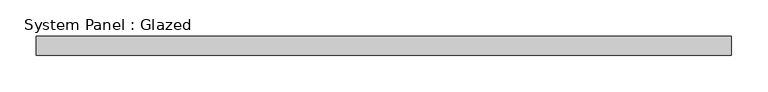
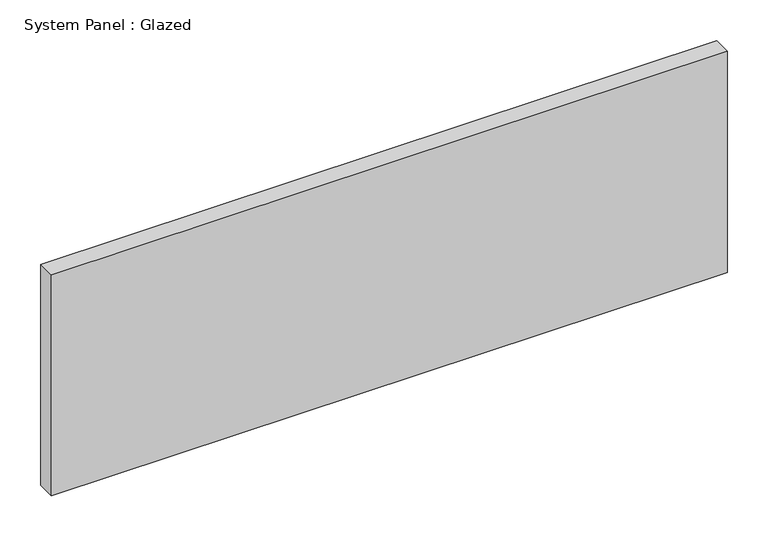
"""IFC4 building model written with IfcOpenShell, lengths in millimetres: plate geometry, System Panel : Glazed."""

from ifc_helpers import new_model, si_unit, origin, origin_with_axes, place, context, project, spatial, polyline, outline, extrude, source, transform, mapped, element, save


def system_panel_glazed_b89f74ed(model_context):
    return source(origin(), model_context, "Body", "SweptSolid", [
        extrude(outline(polyline([(476.25, -12.7), (-476.25, -12.7), (-476.25, 12.7), (476.25, 12.7), (476.25, -12.7)])), origin_with_axes(), (0.0, 0.0, 1.0), 329.7),
    ])


if __name__ == "__main__":
    model = new_model("IFC4")
    model_context = context("Model", 3, world=origin())
    ifc_project = project(units=[si_unit("LENGTHUNIT", "METRE", prefix="MILLI")], contexts=[model_context])
    site = spatial("IfcSite", under=ifc_project)
    building = spatial("IfcBuilding", under=site)
    placement = place(None, origin())
    system_panel_glazed_shape = system_panel_glazed_b89f74ed(model_context)
    element("IfcPlate", 1, ObjectType="System Panel : Glazed", at=placement, inside=building, context=model_context, shape_type="MappedRepresentation", body=[
        mapped(system_panel_glazed_shape, transform((0.0, 0.0, 0.0), x_axis=(1.0, 0.0, 0.0), y_axis=(0.0, 1.0, 0.0), z_axis=(0.0, 0.0, 1.0))),
    ])
    save(model, "model.ifc")
